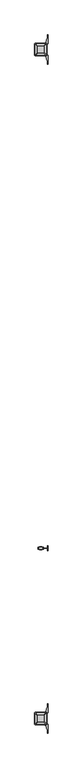
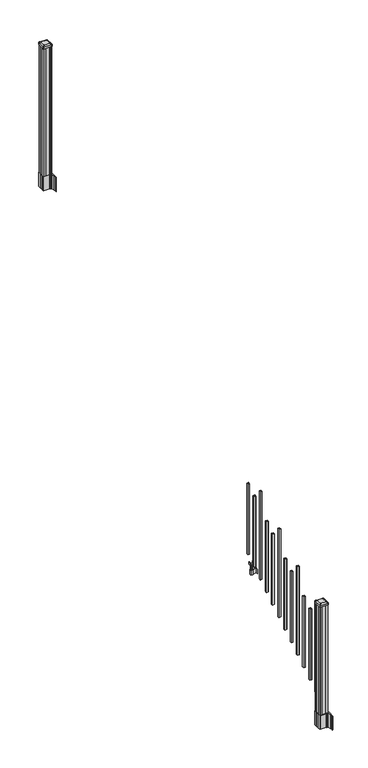
"""IFC4 building model written with IfcOpenShell, lengths in millimetres: railing geometry."""

from ifc_helpers import new_model, si_unit, point, frame, frame_2d, origin, place, context, project, spatial, polyline, circle_curve, trimmed, segment, composite_curve, outline, extrude, source, transform, mapped, element, save
from ifc_brep_helpers import plane_surface, extruded_surface, advanced_brep


def railing_fd2b8d47(model_context):
    return source(origin(), model_context, "Body", "SolidModel", [
        extrude(outline(polyline([(10045.7407728, -114690.6918453), (10045.7407728, -114671.6418453), (10064.7907728, -114671.6418453), (10064.7907728, -114690.6918453), (10045.7407728, -114690.6918453)]), holes=[polyline([(10046.1376478, -114690.2949703), (10064.3938978, -114690.2949703), (10064.3938978, -114672.0387203), (10046.1376478, -114672.0387203), (10046.1376478, -114690.2949703)])]), frame((0.0, 0.0, 1089.6558781), z_axis=(0.0, 0.0, 1.0), x_axis=(1.0, 0.0, 0.0)), (0.0, 0.0, 1.0), 774.7041219),
        extrude(outline(polyline([(10065.9337726, -114738.0628453), (10065.9337726, -114735.5228453), (10105.3037728, -114735.5228453), (10105.3037728, -114738.0628453), (10065.9337726, -114738.0628453)])), frame((0.0, 0.0, 902.49375), z_axis=(0.0, 0.0, 1.0), x_axis=(1.0, 0.0, 0.0)), (0.0, 0.0, 1.0), 50.8),
        extrude(outline(polyline([(10105.3037728, -114755.8428453), (10105.3037728, -114717.7428453), (10107.8437728, -114717.7428453), (10107.8437728, -114755.8428453), (10105.3037728, -114755.8428453)])), frame((0.0, 0.0, 902.49375), z_axis=(0.0, 0.0, 1.0), x_axis=(1.0, 0.0, 0.0)), (0.0, 0.0, 1.0), 50.8),
        extrude(outline(polyline([(10044.597772, -114746.6988453), (10044.597772, -114726.8868453), (10065.9337726, -114726.8868453), (10065.9337726, -114746.6988453), (10044.597772, -114746.6988453)]), holes=[polyline([(10047.8997721, -114744.1588453), (10062.6317725, -114744.1588453), (10062.6317725, -114729.4268453), (10047.8997721, -114729.4268453), (10047.8997721, -114744.1588453)])]), frame((0.0, 0.0, 902.49375), z_axis=(0.0, 0.0, 1.0), x_axis=(1.0, 0.0, 0.0)), (0.0, 0.0, 1.0), 50.8),
        extrude(outline(polyline([(1042.0141479, 10073.4267716), (1042.0141479, 10071.394772), (1040.9981453, 10070.3787722), (1030.5623581, 10070.3787722), (1029.5463573, 10071.394772), (1017.555751, 10071.394772), (1016.7937519, 10070.6327729), (1016.7937519, 10039.8987717), (1017.555751, 10039.1367726), (1029.5463573, 10039.1367726), (1030.5623581, 10040.1527724), (1040.9981453, 10040.1527724), (1042.0141479, 10039.1367726), (1042.0141479, 10037.104773), (1041.2521469, 10036.342772), (1014.7617523, 10036.342772), (1013.9997513, 10037.104773), (1013.9997513, 10047.137772), (1013.2377512, 10047.8997721), (949.7377512, 10047.8997721), (949.7377512, 10062.6317725), (1013.2377512, 10062.6317725), (1013.9997513, 10063.3937726), (1013.9997513, 10073.4267716), (1014.7617523, 10074.1887726), (1041.2521469, 10074.1887726), (1042.0141479, 10073.4267716)]), holes=[polyline([(1013.9997513, 10051.8367724), (1013.9997513, 10058.6947722), (1013.2377512, 10059.4567723), (957.2307503, 10059.4567723), (956.4687531, 10058.6947751), (956.4687531, 10051.8367724), (957.2307531, 10051.0747723), (1013.2377512, 10051.0747723), (1013.9997513, 10051.8367724)])]), frame((0.0, -114744.1588453, 0.0), z_axis=(0.0, 1.0, 0.0), x_axis=(0.0, 0.0, 1.0)), (0.0, 0.0, 1.0), 14.732),
        extrude(outline(polyline([(10045.7407728, -114801.9438453), (10045.7407728, -114782.8938453), (10064.7907728, -114782.8938453), (10064.7907728, -114801.9438453), (10045.7407728, -114801.9438453)]), holes=[polyline([(10046.1376478, -114801.5469703), (10064.3938978, -114801.5469703), (10064.3938978, -114783.2907203), (10046.1376478, -114783.2907203), (10046.1376478, -114801.5469703)])]), frame((0.0, 0.0, 1020.1233781), z_axis=(0.0, 0.0, 1.0), x_axis=(1.0, 0.0, 0.0)), (0.0, 0.0, 1.0), 774.7041219),
        extrude(outline(polyline([(10045.7407728, -114913.1958453), (10045.7407728, -114894.1458453), (10064.7907728, -114894.1458453), (10064.7907728, -114913.1958453), (10045.7407728, -114913.1958453)]), holes=[polyline([(10046.1376478, -114912.7989703), (10064.3938978, -114912.7989703), (10064.3938978, -114894.5427203), (10046.1376478, -114894.5427203), (10046.1376478, -114912.7989703)])]), frame((0.0, 0.0, 950.5908781), z_axis=(0.0, 0.0, 1.0), x_axis=(1.0, 0.0, 0.0)), (0.0, 0.0, 1.0), 965.2041219),
        extrude(outline(polyline([(10045.7407728, -115024.4478453), (10045.7407728, -115005.3978453), (10064.7907728, -115005.3978453), (10064.7907728, -115024.4478453), (10045.7407728, -115024.4478453)]), holes=[polyline([(10046.1376478, -115024.0509703), (10064.3938978, -115024.0509703), (10064.3938978, -115005.7947203), (10046.1376478, -115005.7947203), (10046.1376478, -115024.0509703)])]), frame((0.0, 0.0, 881.0583781), z_axis=(0.0, 0.0, 1.0), x_axis=(1.0, 0.0, 0.0)), (0.0, 0.0, 1.0), 774.7041219),
        extrude(outline(polyline([(10045.7407728, -115135.6998453), (10045.7407728, -115116.6498453), (10064.7907728, -115116.6498453), (10064.7907728, -115135.6998453), (10045.7407728, -115135.6998453)]), holes=[polyline([(10046.1376478, -115135.3029703), (10064.3938978, -115135.3029703), (10064.3938978, -115117.0467203), (10046.1376478, -115117.0467203), (10046.1376478, -115135.3029703)])]), frame((0.0, 0.0, 811.5258781), z_axis=(0.0, 0.0, 1.0), x_axis=(1.0, 0.0, 0.0)), (0.0, 0.0, 1.0), 774.7041219),
        extrude(outline(polyline([(10045.7407728, -115246.9518453), (10045.7407728, -115227.9018453), (10064.7907728, -115227.9018453), (10064.7907728, -115246.9518453), (10045.7407728, -115246.9518453)]), holes=[polyline([(10046.1376478, -115246.5549703), (10064.3938978, -115246.5549703), (10064.3938978, -115228.2987203), (10046.1376478, -115228.2987203), (10046.1376478, -115246.5549703)])]), frame((0.0, 0.0, 741.9933781), z_axis=(0.0, 0.0, 1.0), x_axis=(1.0, 0.0, 0.0)), (0.0, 0.0, 1.0), 965.2041219),
        extrude(outline(polyline([(10045.7407728, -115358.2038453), (10045.7407728, -115339.1538453), (10064.7907728, -115339.1538453), (10064.7907728, -115358.2038453), (10045.7407728, -115358.2038453)]), holes=[polyline([(10046.1376478, -115357.8069703), (10064.3938978, -115357.8069703), (10064.3938978, -115339.5507203), (10046.1376478, -115339.5507203), (10046.1376478, -115357.8069703)])]), frame((0.0, 0.0, 672.4608781), z_axis=(0.0, 0.0, 1.0), x_axis=(1.0, 0.0, 0.0)), (0.0, 0.0, 1.0), 774.7041219),
        extrude(outline(polyline([(10045.7407728, -115469.4558453), (10045.7407728, -115450.4058453), (10064.7907728, -115450.4058453), (10064.7907728, -115469.4558453), (10045.7407728, -115469.4558453)]), holes=[polyline([(10046.1376478, -115469.0589703), (10064.3938978, -115469.0589703), (10064.3938978, -115450.8027203), (10046.1376478, -115450.8027203), (10046.1376478, -115469.0589703)])]), frame((0.0, 0.0, 602.9283781), z_axis=(0.0, 0.0, 1.0), x_axis=(1.0, 0.0, 0.0)), (0.0, 0.0, 1.0), 774.7041219),
        extrude(outline(polyline([(10045.7407728, -115580.7078453), (10045.7407728, -115561.6578453), (10064.7907728, -115561.6578453), (10064.7907728, -115580.7078453), (10045.7407728, -115580.7078453)]), holes=[polyline([(10046.1376478, -115580.3109703), (10064.3938978, -115580.3109703), (10064.3938978, -115562.0547203), (10046.1376478, -115562.0547203), (10046.1376478, -115580.3109703)])]), frame((0.0, 0.0, 533.3958781), z_axis=(0.0, 0.0, 1.0), x_axis=(1.0, 0.0, 0.0)), (0.0, 0.0, 1.0), 965.2041219),
        extrude(outline(polyline([(10045.7407728, -115691.9598453), (10045.7407728, -115672.9098453), (10064.7907728, -115672.9098453), (10064.7907728, -115691.9598453), (10045.7407728, -115691.9598453)]), holes=[polyline([(10046.1376478, -115691.5629703), (10064.3938978, -115691.5629703), (10064.3938978, -115673.3067203), (10046.1376478, -115673.3067203), (10046.1376478, -115691.5629703)])]), frame((0.0, 0.0, 463.8633781), z_axis=(0.0, 0.0, 1.0), x_axis=(1.0, 0.0, 0.0)), (0.0, 0.0, 1.0), 774.7041219),
        extrude(outline(polyline([(10045.7407728, -115803.2118453), (10045.7407728, -115784.1618453), (10064.7907728, -115784.1618453), (10064.7907728, -115803.2118453), (10045.7407728, -115803.2118453)]), holes=[polyline([(10046.1376478, -115802.8149703), (10064.3938978, -115802.8149703), (10064.3938978, -115784.5587203), (10046.1376478, -115784.5587203), (10046.1376478, -115802.8149703)])]), frame((0.0, 0.0, 394.3308781), z_axis=(0.0, 0.0, 1.0), x_axis=(1.0, 0.0, 0.0)), (0.0, 0.0, 1.0), 774.7041219),
        extrude(outline(polyline([(10045.7407728, -115914.4638453), (10045.7407728, -115895.4138453), (10064.7907728, -115895.4138453), (10064.7907728, -115914.4638453), (10045.7407728, -115914.4638453)]), holes=[polyline([(10046.1376478, -115914.0669703), (10064.3938978, -115914.0669703), (10064.3938978, -115895.8107203), (10046.1376478, -115895.8107203), (10046.1376478, -115914.0669703)])]), frame((0.0, 0.0, 324.7983781), z_axis=(0.0, 0.0, 1.0), x_axis=(1.0, 0.0, 0.0)), (0.0, 0.0, 1.0), 965.2041219),
        extrude(outline(polyline([(10094.9532728, -111080.3358453), (10075.3317728, -111080.3358453), (10074.5697728, -111078.7483453), (10035.9617728, -111078.7483453), (10035.1997728, -111080.3358453), (10015.5782728, -111080.3358453), (10013.9907728, -111078.7483453), (10013.9907728, -111059.1268453), (10015.5782728, -111058.3648453), (10015.5782728, -111019.7568453), (10013.9907728, -111018.9948453), (10013.9907728, -110999.3733453), (10015.5782728, -110997.7858453), (10035.1997728, -110997.7858453), (10035.9617728, -110999.3733453), (10074.5697728, -110999.3733453), (10075.3317728, -110997.7858453), (10094.9532728, -110997.7858453), (10096.5407728, -110999.3733453), (10096.5407728, -111018.9948453), (10094.9532728, -111019.7568453), (10094.9532728, -111058.3648453), (10096.5407728, -111059.1268453), (10096.5407728, -111078.7483453), (10094.9532728, -111080.3358453)])), frame((0.0, 0.0, 3048.0), z_axis=(0.0, 0.0, 1.0), x_axis=(1.0, 0.0, 0.0)), (0.0, 0.0, 1.0), 1400.140513),
        extrude(outline(composite_curve([segment(polyline([(10012.5302728, -111056.4469401), (10012.5302728, -111021.6747504), (10010.9427728, -111020.9127504), (10010.9427728, -110998.1108224), (10014.3157498, -110994.7378453), (10075.7754206, -110994.7378453), (10075.7754206, -110993.8170953), (10081.0929645, -110993.8170953), (10081.0929645, -110992.3628406), (10086.1774942, -110992.3628406), (10086.1774942, -110991.0788168), (10087.8447665, -110991.0788168)]), True, "CONTINUOUS"), segment(trimmed(circle_curve(frame_2d((10087.8447665, -110984.0193569)), 7.0594599), [point((10087.8447665, -110991.0788168))], [point((10094.6120293, -110986.0293636))], True, "CARTESIAN"), True, "CONTINUOUS"), segment(polyline([(10094.6120293, -110986.0293636), (10102.4862236, -110959.5186345)]), True, "CONTINUOUS"), segment(trimmed(circle_curve(frame_2d((10047.7017103, -110943.2465848)), 57.15), [point((10102.4862236, -110959.5186345))], [point((10104.8517103, -110943.2465848))], True, "CARTESIAN"), True, "CONTINUOUS"), segment(polyline([(10104.8517103, -110943.2465848), (10104.8517103, -110931.2378453), (10107.8517103, -110931.2378453), (10107.8517103, -110996.3253453), (10099.5887728, -111007.6636366), (10099.5887728, -111020.9127504), (10098.0012728, -111021.6747504), (10098.0012728, -111056.4469401), (10099.5887728, -111057.2089401), (10099.5887728, -111070.458054), (10107.8517103, -111081.7963453), (10107.8517103, -111146.8838453), (10104.8517103, -111146.8838453), (10104.8517103, -111134.8751057)]), True, "CONTINUOUS"), segment(trimmed(circle_curve(frame_2d((10047.7017103, -111134.8751057)), 57.15), [point((10104.8517103, -111134.8751057))], [point((10102.4862236, -111118.6030561))], True, "CARTESIAN"), True, "CONTINUOUS"), segment(polyline([(10102.4862236, -111118.6030561), (10094.6120293, -111092.092327)]), True, "CONTINUOUS"), segment(trimmed(circle_curve(frame_2d((10087.8447665, -111094.1023337)), 7.0594599), [point((10094.6120293, -111092.092327))], [point((10087.8447665, -111087.0428738))], True, "CARTESIAN"), True, "CONTINUOUS"), segment(polyline([(10087.8447665, -111087.0428738), (10086.1774942, -111087.0428738), (10086.1774942, -111085.75885), (10081.0929645, -111085.75885), (10081.0929645, -111084.3045953), (10075.7754206, -111084.3045953), (10075.7754206, -111083.3838453), (10014.3157498, -111083.3838453), (10010.9427728, -111080.0108682), (10010.9427728, -111057.2089401), (10012.5302728, -111056.4469401)]), True, "CONTINUOUS")], self_intersect=False), holes=[polyline([(10096.5407728, -110999.3733453), (10094.9532728, -110997.7858453), (10058.0289902, -110997.7858453), (10015.5782728, -110997.7858453), (10013.9907728, -110999.3733453), (10013.9907728, -111078.7483453), (10015.5782728, -111080.3358453), (10058.0289902, -111080.3358453), (10094.9532728, -111080.3358453), (10096.5407728, -111078.7483453), (10096.5407728, -110999.3733453)])]), frame((0.0, 0.0, 2895.6), z_axis=(0.0, 0.0, 1.0), x_axis=(1.0, 0.0, 0.0)), (0.0, 0.0, 1.0), 152.4),
        advanced_brep(
        [(10081.0626478, -111068.0327203, 4476.715513), (10084.2376478, -111064.8577203, 4476.715513), (10084.2376478, -111013.2639703, 4476.715513), (10081.0626478, -111010.0889703, 4476.715513), (10029.4688978, -111010.0889703, 4476.715513), (10026.2938978, -111013.2639703, 4476.715513), (10026.2938978, -111064.8577203, 4476.715513), (10029.4688978, -111068.0327203, 4476.715513), (10097.3345228, -111084.3045953, 4465.412513), (10013.1970228, -111084.3045953, 4465.412513), (10010.0220228, -111081.1295953, 4465.412513), (10010.0220228, -110996.9920953, 4465.412513), (10013.1970228, -110993.8170953, 4465.412513), (10097.3345228, -110993.8170953, 4465.412513), (10100.5095228, -110996.9920953, 4465.412513), (10100.5095228, -111081.1295953, 4465.412513)],
        [
            (0, 1, circle_curve(frame((10081.0626478, -111064.8577203, 4476.715513), z_axis=(0.0, 0.0, 1.0), x_axis=(0.0, 1.0, 0.0)), 3.175)),
            (1, 2),
            (2, 3, circle_curve(frame((10081.0626478, -111013.2639703, 4476.715513), z_axis=(0.0, 0.0, 1.0), x_axis=(0.0, 1.0, 0.0)), 3.175)),
            (3, 4),
            (4, 5, circle_curve(frame((10029.4688978, -111013.2639703, 4476.715513), z_axis=(0.0, 0.0, 1.0), x_axis=(0.0, 1.0, 0.0)), 3.175)),
            (5, 6),
            (6, 7, circle_curve(frame((10029.4688978, -111064.8577203, 4476.715513), z_axis=(0.0, 0.0, 1.0), x_axis=(0.0, 1.0, 0.0)), 3.175)),
            (7, 0),
            (8, 9),
            (9, 10, circle_curve(frame((10013.1970228, -111081.1295953, 4465.412513), z_axis=(0.0, 0.0, -1.0), x_axis=(0.0, 1.0, 0.0)), 3.175)),
            (10, 11),
            (11, 12, circle_curve(frame((10013.1970228, -110996.9920953, 4465.412513), z_axis=(0.0, 0.0, -1.0), x_axis=(0.0, 1.0, 0.0)), 3.175)),
            (12, 13),
            (13, 14, circle_curve(frame((10097.3345228, -110996.9920953, 4465.412513), z_axis=(0.0, 0.0, -1.0), x_axis=(0.0, 1.0, 0.0)), 3.175)),
            (14, 15),
            (15, 8, circle_curve(frame((10097.3345228, -111081.1295953, 4465.412513), z_axis=(0.0, 0.0, -1.0), x_axis=(0.0, 1.0, 0.0)), 3.175)),
            (15, 1),
            (0, 8),
            (14, 2),
            (13, 3),
            (12, 4),
            (11, 5),
            (10, 6),
            (9, 7),
        ],
        [
            plane_surface(frame((10055.2657728, -111039.0608453, 4476.715513), z_axis=(0.0, 0.0, 1.0), x_axis=(1.0, 0.0, 0.0))),
            plane_surface(frame((10055.2657728, -111039.0608453, 4465.412513), z_axis=(0.0, 0.0, -1.0), x_axis=(1.0, 0.0, 0.0))),
            extruded_surface(trimmed(circle_curve(frame((10097.3345228, -111081.1295953, 4465.412513), z_axis=(0.0, 0.0, 1.0), x_axis=(0.0, 1.0, 0.0)), 3.175), [point((10097.3345228, -111084.3045953, 4465.412513))], [point((10100.5095228, -111081.1295953, 4465.412513))], True, "CARTESIAN"), (-16.271875000000364, 16.27187499999127, 11.302999999999884), 25.637972638860802),
            plane_surface(frame((10100.5095228, -111039.0608453, 4465.412513), z_axis=(0.5705009161540685, 0.0, 0.8212969649690474), x_axis=(0.0, 1.0, 0.0))),
            extruded_surface(trimmed(circle_curve(frame((10097.3345228, -110996.9920953, 4465.412513), z_axis=(0.0, 0.0, 1.0), x_axis=(0.0, 1.0, 0.0)), 3.175), [point((10100.5095228, -110996.9920953, 4465.412513))], [point((10097.3345228, -110993.8170953, 4465.412513))], True, "CARTESIAN"), (-16.271875000000364, -16.27187500000582, 11.302999999999884), 25.637972638870036),
            plane_surface(frame((10055.2657728, -110993.8170953, 4465.412513), z_axis=(0.0, 0.5705009161540291, 0.8212969649690747), x_axis=(-1.0, 0.0, 0.0))),
            extruded_surface(trimmed(circle_curve(frame((10013.1970228, -110996.9920953, 4465.412513), z_axis=(0.0, 0.0, 1.0), x_axis=(0.0, 1.0, 0.0)), 3.175), [point((10013.1970228, -110993.8170953, 4465.412513))], [point((10010.0220228, -110996.9920953, 4465.412513))], True, "CARTESIAN"), (16.271875000000364, -16.27187500000582, 11.302999999999884), 25.637972638870036),
            plane_surface(frame((10010.0220228, -111039.0608453, 4465.412513), z_axis=(-0.5705009161540235, 0.0, 0.8212969649690786), x_axis=(0.0, -1.0, 0.0))),
            extruded_surface(trimmed(circle_curve(frame((10013.1970228, -111081.1295953, 4465.412513), z_axis=(0.0, 0.0, 1.0), x_axis=(0.0, 1.0, 0.0)), 3.175), [point((10010.0220228, -111081.1295953, 4465.412513))], [point((10013.1970228, -111084.3045953, 4465.412513))], True, "CARTESIAN"), (16.271875000000364, 16.27187499999127, 11.302999999999884), 25.637972638860802),
            plane_surface(frame((10055.2657728, -111084.3045953, 4465.412513), z_axis=(0.0, -0.570500916154034, 0.8212969649690713), x_axis=(1.0, 0.0, 0.0))),
        ],
        [
            (0, [[1, 2, 3, 4, 5, 6, 7, 8]]),
            (1, [[9, 10, 11, 12, 13, 14, 15, 16]]),
            (2, [[-16, 17, -1, 18]]),
            (3, [[-15, 19, -2, -17]]),
            (4, [[-14, 20, -3, -19]]),
            (5, [[-13, 21, -4, -20]]),
            (6, [[-12, 22, -5, -21]]),
            (7, [[-11, 23, -6, -22]]),
            (8, [[-10, 24, -7, -23]]),
            (9, [[-9, -18, -8, -24]]),
        ],
    ),
        extrude(outline(composite_curve([segment(polyline([(10097.3345228, -111084.3045953), (10013.1970228, -111084.3045953)]), True, "CONTINUOUS"), segment(trimmed(circle_curve(frame_2d((10013.1970228, -111081.1295953)), 3.175), [point((10013.1970228, -111084.3045953))], [point((10010.0220228, -111081.1295953))], False, "CARTESIAN"), True, "CONTINUOUS"), segment(polyline([(10010.0220228, -111081.1295953), (10010.0220228, -110996.9920953)]), True, "CONTINUOUS"), segment(trimmed(circle_curve(frame_2d((10013.1970228, -110996.9920953)), 3.175), [point((10010.0220228, -110996.9920953))], [point((10013.1970228, -110993.8170953))], False, "CARTESIAN"), True, "CONTINUOUS"), segment(polyline([(10013.1970228, -110993.8170953), (10097.3345228, -110993.8170953)]), True, "CONTINUOUS"), segment(trimmed(circle_curve(frame_2d((10097.3345228, -110996.9920953)), 3.175), [point((10097.3345228, -110993.8170953))], [point((10100.5095228, -110996.9920953))], False, "CARTESIAN"), True, "CONTINUOUS"), segment(polyline([(10100.5095228, -110996.9920953), (10100.5095228, -111081.1295953)]), True, "CONTINUOUS"), segment(trimmed(circle_curve(frame_2d((10097.3345228, -111081.1295953)), 3.175), [point((10100.5095228, -111081.1295953))], [point((10097.3345228, -111084.3045953))], False, "CARTESIAN"), True, "CONTINUOUS")], self_intersect=False)), frame((0.0, 0.0, 4448.140513), z_axis=(0.0, 0.0, 1.0), x_axis=(1.0, 0.0, 0.0)), (0.0, 0.0, 1.0), 17.272),
        extrude(outline(composite_curve([segment(polyline([(10012.5302728, -116016.0509401), (10012.5302728, -115981.2787504), (10010.9427728, -115980.5167504), (10010.9427728, -115957.7148224), (10014.3157498, -115954.3418453), (10075.7754206, -115954.3418453), (10075.7754206, -115953.4210953), (10081.0929645, -115953.4210953), (10081.0929645, -115951.9668406), (10086.1774942, -115951.9668406), (10086.1774942, -115950.6828168), (10087.8447665, -115950.6828168)]), True, "CONTINUOUS"), segment(trimmed(circle_curve(frame_2d((10087.8447665, -115943.6233569)), 7.0594599), [point((10087.8447665, -115950.6828168))], [point((10094.6120293, -115945.6333636))], True, "CARTESIAN"), True, "CONTINUOUS"), segment(polyline([(10094.6120293, -115945.6333636), (10102.4862236, -115919.1226345)]), True, "CONTINUOUS"), segment(trimmed(circle_curve(frame_2d((10047.7017103, -115902.8505848)), 57.15), [point((10102.4862236, -115919.1226345))], [point((10104.8517103, -115902.8505848))], True, "CARTESIAN"), True, "CONTINUOUS"), segment(polyline([(10104.8517103, -115902.8505848), (10104.8517103, -115890.8418453), (10107.8517103, -115890.8418453), (10107.8517103, -115955.9293453), (10099.5887728, -115967.2676366), (10099.5887728, -115980.5167504), (10098.0012728, -115981.2787504), (10098.0012728, -116016.0509401), (10099.5887728, -116016.8129401), (10099.5887728, -116030.062054), (10107.8517103, -116041.4003453), (10107.8517103, -116106.4878453), (10104.8517103, -116106.4878453), (10104.8517103, -116094.4791057)]), True, "CONTINUOUS"), segment(trimmed(circle_curve(frame_2d((10047.7017103, -116094.4791057)), 57.15), [point((10104.8517103, -116094.4791057))], [point((10102.4862236, -116078.2070561))], True, "CARTESIAN"), True, "CONTINUOUS"), segment(polyline([(10102.4862236, -116078.2070561), (10094.6120293, -116051.696327)]), True, "CONTINUOUS"), segment(trimmed(circle_curve(frame_2d((10087.8447665, -116053.7063337)), 7.0594599), [point((10094.6120293, -116051.696327))], [point((10087.8447665, -116046.6468738))], True, "CARTESIAN"), True, "CONTINUOUS"), segment(polyline([(10087.8447665, -116046.6468738), (10086.1774942, -116046.6468738), (10086.1774942, -116045.36285), (10081.0929645, -116045.36285), (10081.0929645, -116043.9085953), (10075.7754206, -116043.9085953), (10075.7754206, -116042.9878453), (10014.3157498, -116042.9878453), (10010.9427728, -116039.6148682), (10010.9427728, -116016.8129401), (10012.5302728, -116016.0509401)]), True, "CONTINUOUS")], self_intersect=False), holes=[polyline([(10096.5407728, -115958.9773453), (10094.9532728, -115957.3898453), (10058.0289902, -115957.3898453), (10015.5782728, -115957.3898453), (10013.9907728, -115958.9773453), (10013.9907728, -116038.3523453), (10015.5782728, -116039.9398453), (10058.0289902, -116039.9398453), (10094.9532728, -116039.9398453), (10096.5407728, -116038.3523453), (10096.5407728, -115958.9773453)])]), frame((0.0, 0.0, 12.22375), z_axis=(0.0, 0.0, 1.0), x_axis=(1.0, 0.0, 0.0)), (0.0, 0.0, 1.0), 152.4),
        advanced_brep(
        [(10081.0626478, -116027.6367203, 1376.963013), (10084.2376478, -116024.4617203, 1376.963013), (10084.2376478, -115972.8679703, 1376.963013), (10081.0626478, -115969.6929703, 1376.963013), (10029.4688978, -115969.6929703, 1376.963013), (10026.2938978, -115972.8679703, 1376.963013), (10026.2938978, -116024.4617203, 1376.963013), (10029.4688978, -116027.6367203, 1376.963013), (10097.3345228, -116043.9085953, 1365.660013), (10013.1970228, -116043.9085953, 1365.660013), (10010.0220228, -116040.7335953, 1365.660013), (10010.0220228, -115956.5960953, 1365.660013), (10013.1970228, -115953.4210953, 1365.660013), (10097.3345228, -115953.4210953, 1365.660013), (10100.5095228, -115956.5960953, 1365.660013), (10100.5095228, -116040.7335953, 1365.660013)],
        [
            (0, 1, circle_curve(frame((10081.0626478, -116024.4617203, 1376.963013), z_axis=(0.0, 0.0, 1.0), x_axis=(0.0, 1.0, 0.0)), 3.175)),
            (1, 2),
            (2, 3, circle_curve(frame((10081.0626478, -115972.8679703, 1376.963013), z_axis=(0.0, 0.0, 1.0), x_axis=(0.0, 1.0, 0.0)), 3.175)),
            (3, 4),
            (4, 5, circle_curve(frame((10029.4688978, -115972.8679703, 1376.963013), z_axis=(0.0, 0.0, 1.0), x_axis=(0.0, 1.0, 0.0)), 3.175)),
            (5, 6),
            (6, 7, circle_curve(frame((10029.4688978, -116024.4617203, 1376.963013), z_axis=(0.0, 0.0, 1.0), x_axis=(0.0, 1.0, 0.0)), 3.175)),
            (7, 0),
            (8, 9),
            (9, 10, circle_curve(frame((10013.1970228, -116040.7335953, 1365.660013), z_axis=(0.0, 0.0, -1.0), x_axis=(0.0, 1.0, 0.0)), 3.175)),
            (10, 11),
            (11, 12, circle_curve(frame((10013.1970228, -115956.5960953, 1365.660013), z_axis=(0.0, 0.0, -1.0), x_axis=(0.0, 1.0, 0.0)), 3.175)),
            (12, 13),
            (13, 14, circle_curve(frame((10097.3345228, -115956.5960953, 1365.660013), z_axis=(0.0, 0.0, -1.0), x_axis=(0.0, 1.0, 0.0)), 3.175)),
            (14, 15),
            (15, 8, circle_curve(frame((10097.3345228, -116040.7335953, 1365.660013), z_axis=(0.0, 0.0, -1.0), x_axis=(0.0, 1.0, 0.0)), 3.175)),
            (15, 1),
            (0, 8),
            (14, 2),
            (13, 3),
            (12, 4),
            (11, 5),
            (10, 6),
            (9, 7),
        ],
        [
            plane_surface(frame((10055.2657728, -115998.6648453, 1376.963013), z_axis=(0.0, 0.0, 1.0), x_axis=(1.0, 0.0, 0.0))),
            plane_surface(frame((10055.2657728, -115998.6648453, 1365.660013), z_axis=(0.0, 0.0, -1.0), x_axis=(1.0, 0.0, 0.0))),
            extruded_surface(trimmed(circle_curve(frame((10097.3345228, -116040.7335953, 1365.660013), z_axis=(0.0, 0.0, 1.0), x_axis=(0.0, 1.0, 0.0)), 3.175), [point((10097.3345228, -116043.9085953, 1365.660013))], [point((10100.5095228, -116040.7335953, 1365.660013))], True, "CARTESIAN"), (-16.271875000000364, 16.27187500000582, 11.303000000000111), 25.63797263887014),
            plane_surface(frame((10100.5095228, -115998.6648453, 1365.660013), z_axis=(0.5705009161540778, 0.0, 0.8212969649690408), x_axis=(0.0, 1.0, 0.0))),
            extruded_surface(trimmed(circle_curve(frame((10097.3345228, -115956.5960953, 1365.660013), z_axis=(0.0, 0.0, 1.0), x_axis=(0.0, 1.0, 0.0)), 3.175), [point((10100.5095228, -115956.5960953, 1365.660013))], [point((10097.3345228, -115953.4210953, 1365.660013))], True, "CARTESIAN"), (-16.271875000000364, -16.27187499999127, 11.303000000000111), 25.6379726388609),
            plane_surface(frame((10055.2657728, -115953.4210953, 1365.660013), z_axis=(0.0, 0.5705009161540291, 0.8212969649690747), x_axis=(-1.0, 0.0, 0.0))),
            extruded_surface(trimmed(circle_curve(frame((10013.1970228, -115956.5960953, 1365.660013), z_axis=(0.0, 0.0, 1.0), x_axis=(0.0, 1.0, 0.0)), 3.175), [point((10013.1970228, -115953.4210953, 1365.660013))], [point((10010.0220228, -115956.5960953, 1365.660013))], True, "CARTESIAN"), (16.271875000000364, -16.27187499999127, 11.303000000000111), 25.6379726388609),
            plane_surface(frame((10010.0220228, -115998.6648453, 1365.660013), z_axis=(-0.5705009161540142, 0.0, 0.8212969649690851), x_axis=(0.0, -1.0, 0.0))),
            extruded_surface(trimmed(circle_curve(frame((10013.1970228, -116040.7335953, 1365.660013), z_axis=(0.0, 0.0, 1.0), x_axis=(0.0, 1.0, 0.0)), 3.175), [point((10010.0220228, -116040.7335953, 1365.660013))], [point((10013.1970228, -116043.9085953, 1365.660013))], True, "CARTESIAN"), (16.271875000000364, 16.27187500000582, 11.303000000000111), 25.63797263887014),
            plane_surface(frame((10055.2657728, -116043.9085953, 1365.660013), z_axis=(0.0, -0.570500916154034, 0.8212969649690713), x_axis=(1.0, 0.0, 0.0))),
        ],
        [
            (0, [[1, 2, 3, 4, 5, 6, 7, 8]]),
            (1, [[9, 10, 11, 12, 13, 14, 15, 16]]),
            (2, [[-16, 17, -1, 18]]),
            (3, [[-15, 19, -2, -17]]),
            (4, [[-14, 20, -3, -19]]),
            (5, [[-13, 21, -4, -20]]),
            (6, [[-12, 22, -5, -21]]),
            (7, [[-11, 23, -6, -22]]),
            (8, [[-10, 24, -7, -23]]),
            (9, [[-9, -18, -8, -24]]),
        ],
    ),
        extrude(outline(composite_curve([segment(polyline([(10097.3345228, -116043.9085953), (10013.1970228, -116043.9085953)]), True, "CONTINUOUS"), segment(trimmed(circle_curve(frame_2d((10013.1970228, -116040.7335953)), 3.175), [point((10013.1970228, -116043.9085953))], [point((10010.0220228, -116040.7335953))], False, "CARTESIAN"), True, "CONTINUOUS"), segment(polyline([(10010.0220228, -116040.7335953), (10010.0220228, -115956.5960953)]), True, "CONTINUOUS"), segment(trimmed(circle_curve(frame_2d((10013.1970228, -115956.5960953)), 3.175), [point((10010.0220228, -115956.5960953))], [point((10013.1970228, -115953.4210953))], False, "CARTESIAN"), True, "CONTINUOUS"), segment(polyline([(10013.1970228, -115953.4210953), (10097.3345228, -115953.4210953)]), True, "CONTINUOUS"), segment(trimmed(circle_curve(frame_2d((10097.3345228, -115956.5960953)), 3.175), [point((10097.3345228, -115953.4210953))], [point((10100.5095228, -115956.5960953))], False, "CARTESIAN"), True, "CONTINUOUS"), segment(polyline([(10100.5095228, -115956.5960953), (10100.5095228, -116040.7335953)]), True, "CONTINUOUS"), segment(trimmed(circle_curve(frame_2d((10097.3345228, -116040.7335953)), 3.175), [point((10100.5095228, -116040.7335953))], [point((10097.3345228, -116043.9085953))], False, "CARTESIAN"), True, "CONTINUOUS")], self_intersect=False)), frame((0.0, 0.0, 1348.388013), z_axis=(0.0, 0.0, 1.0), x_axis=(1.0, 0.0, 0.0)), (0.0, 0.0, 1.0), 17.272),
        extrude(outline(polyline([(10094.9532728, -116039.9398453), (10075.3317728, -116039.9398453), (10074.5697728, -116038.3523453), (10035.9617728, -116038.3523453), (10035.1997728, -116039.9398453), (10015.5782728, -116039.9398453), (10013.9907728, -116038.3523453), (10013.9907728, -116018.7308453), (10015.5782728, -116017.9688453), (10015.5782728, -115979.3608453), (10013.9907728, -115978.5988453), (10013.9907728, -115958.9773453), (10015.5782728, -115957.3898453), (10035.1997728, -115957.3898453), (10035.9617728, -115958.9773453), (10074.5697728, -115958.9773453), (10075.3317728, -115957.3898453), (10094.9532728, -115957.3898453), (10096.5407728, -115958.9773453), (10096.5407728, -115978.5988453), (10094.9532728, -115979.3608453), (10094.9532728, -116017.9688453), (10096.5407728, -116018.7308453), (10096.5407728, -116038.3523453), (10094.9532728, -116039.9398453)])), frame((0.0, 0.0, 164.62375), z_axis=(0.0, 0.0, 1.0), x_axis=(1.0, 0.0, 0.0)), (0.0, 0.0, 1.0), 1183.764263),
    ])


if __name__ == "__main__":
    model = new_model("IFC4")
    model_context = context("Model", 3, world=origin())
    ifc_project = project(units=[si_unit("LENGTHUNIT", "METRE", prefix="MILLI")], contexts=[model_context])
    site = spatial("IfcSite", under=ifc_project)
    building = spatial("IfcBuilding", under=site)
    placement = place(None, origin())
    railing_shape = railing_fd2b8d47(model_context)
    element("IfcRailing", 1, at=placement, inside=building, context=model_context, shape_type="MappedRepresentation", body=[
        mapped(railing_shape, transform((0.0, 0.0, 0.0), x_axis=(1.0, 0.0, 0.0), y_axis=(0.0, 1.0, 0.0), z_axis=(0.0, 0.0, 1.0))),
    ])
    save(model, "model.ifc")
